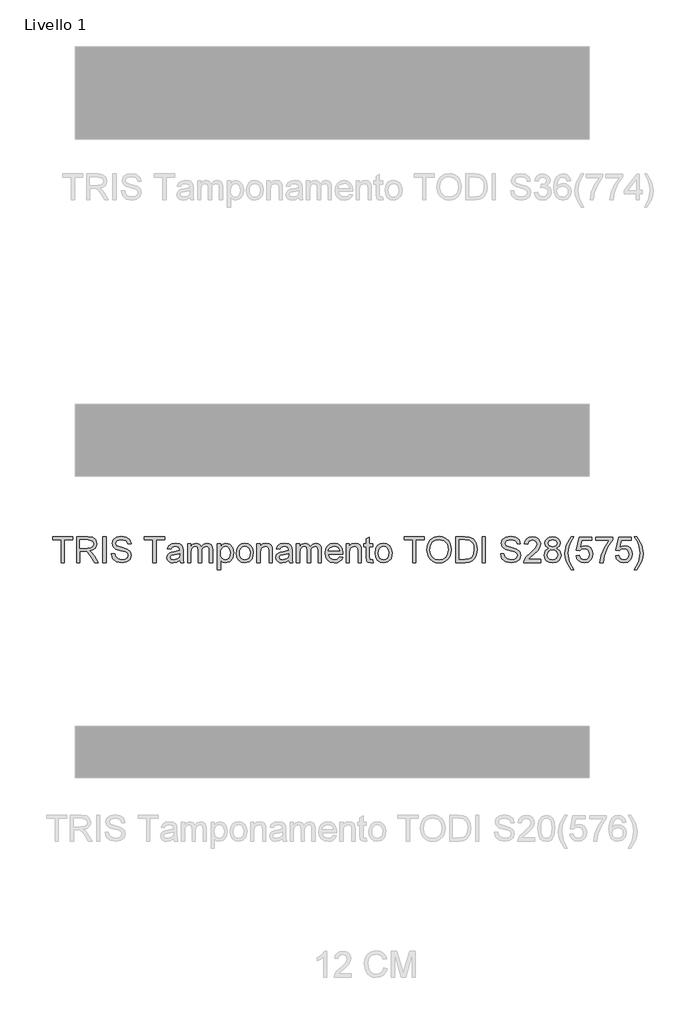
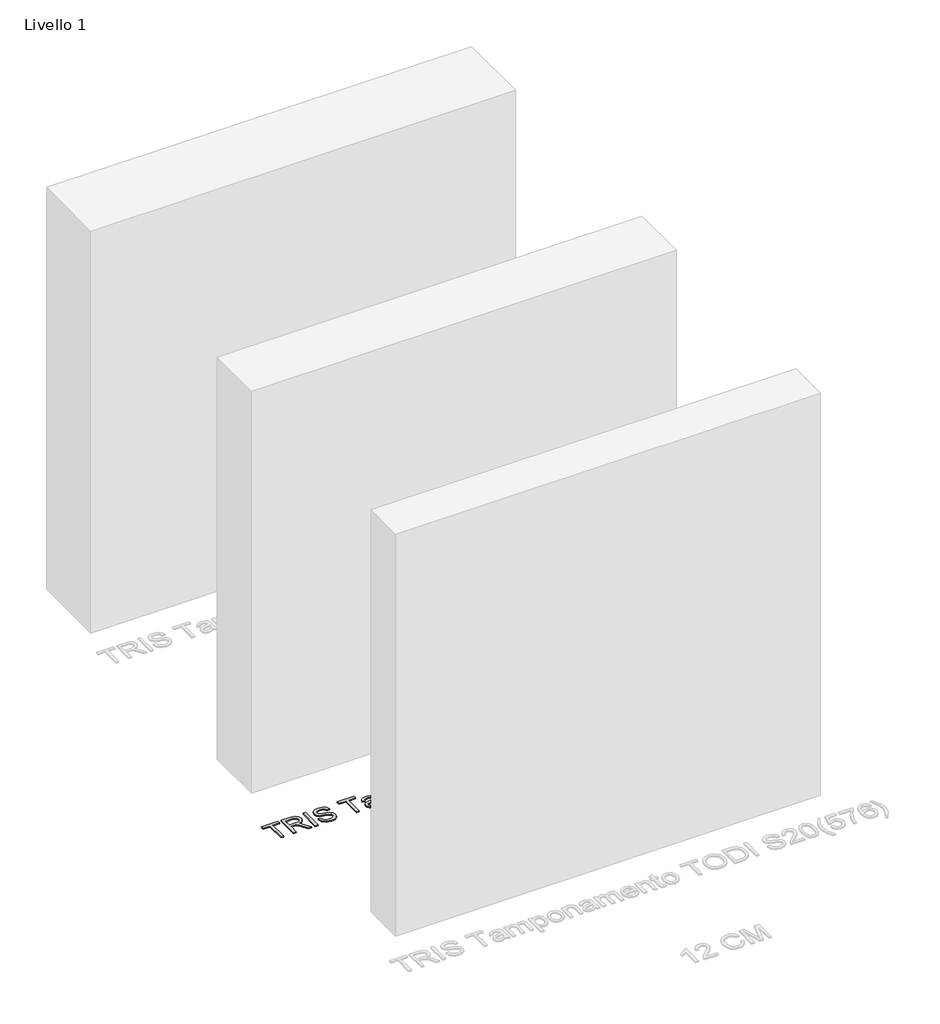
# One storey, part 10 of 18: 1 proxy.
"""IFC4 building model written with IfcOpenShell, lengths in millimetres."""

from ifc_helpers import new_model, si_unit, origin, origin_with_axes, place, context, project, spatial, polyline, outline, extrude, element, save

model = new_model("IFC4")

# Units and contexts
model_context = context("Model", 3, world=origin())
ifc_project = project(units=[si_unit("LENGTHUNIT", "METRE", prefix="MILLI")], contexts=[model_context])

# Site, building, storey
site = spatial("IfcSite", under=ifc_project)
building = spatial("IfcBuilding", under=site)
storey = spatial("IfcBuildingStorey", under=building, Name="Livello 1", Elevation=0.0)

# Proxy
placement = place(None, origin())
element("IfcBuildingElementProxy", 1, Name="100", ObjectType="100", at=placement, inside=storey, context=model_context, shape_type="SweptSolid", body=[
    extrude(outline(polyline([(3324.8413767, -3224.4113231), (3324.8413767, -3136.5120517), (3291.8791499, -3136.5120517), (3291.8791499, -3123.9550129), (3370.3606422, -3123.9550129), (3370.3606422, -3136.5120517), (3337.3984154, -3136.5120517), (3337.3984154, -3224.4113231), (3324.8413767, -3224.4113231)])), origin_with_axes(), (0.0, 0.0, 1.0), 5.0),
    extrude(outline(polyline([(3384.4873108, -3224.4113231), (3384.4873108, -3123.9550129), (3427.7747589, -3123.9550129), (3447.8733786, -3126.6650769), (3458.8607875, -3136.2545343), (3462.9688031, -3151.4480607), (3461.2673489, -3161.3440864), (3456.1629862, -3169.5478548), (3447.5024309, -3175.5627255), (3435.1323988, -3178.8920575), (3442.2693095, -3184.2631347), (3452.4473781, -3197.1880554), (3469.1982716, -3224.4113231), (3454.6056191, -3224.4113231), (3441.5335455, -3203.5892021), (3432.091241, -3189.80589), (3425.4571024, -3183.2943787), (3419.4851513, -3180.9031458), (3412.2010878, -3180.4616874), (3397.0443496, -3180.4616874), (3397.0443496, -3224.4113231), (3384.4873108, -3224.4113231)]), holes=[polyline([(3397.0443496, -3167.9046486), (3425.150534, -3167.9046486), (3439.4856691, -3166.1265523), (3447.6281239, -3160.4366441), (3450.4117644, -3151.9140445), (3445.1020009, -3140.8530592), (3428.3143192, -3136.5120517), (3397.0443496, -3136.5120517), (3397.0443496, -3167.9046486)])]), origin_with_axes(), (0.0, 0.0, 1.0), 5.0),
    extrude(outline(polyline([(3486.5132508, -3224.4113231), (3486.5132508, -3123.9550129), (3499.0702896, -3123.9550129), (3499.0702896, -3224.4113231), (3486.5132508, -3224.4113231)])), origin_with_axes(), (0.0, 0.0, 1.0), 5.0),
    extrude(outline(polyline([(3519.4754776, -3189.8794664), (3532.0325164, -3189.8794664), (3536.0792183, -3202.4487679), (3545.9629812, -3210.395019), (3561.0216176, -3213.4239141), (3574.1427421, -3211.130783), (3582.6162907, -3204.8277382), (3585.3999311, -3196.4032405), (3583.3152665, -3188.567354), (3574.7804042, -3182.8651831), (3556.496669, -3178.0704544), (3536.8149823, -3171.8777741), (3526.1341417, -3162.5335715), (3522.6147373, -3150.0501091), (3526.9680076, -3135.8376014), (3539.6844619, -3125.8066856), (3558.2992908, -3122.3853831), (3578.1649186, -3125.9661011), (3591.4086704, -3136.4875262), (3596.38734, -3152.2083501), (3583.8303013, -3152.2083501), (3581.5249074, -3144.7158202), (3576.717916, -3139.3079548), (3558.7898001, -3134.9424218), (3540.8126333, -3139.2589039), (3535.171776, -3149.6822271), (3539.1694271, -3158.3887677), (3559.6727169, -3165.403051), (3581.8927894, -3171.7060959), (3594.045158, -3181.8841644), (3597.9569699, -3196.0844094), (3593.4565468, -3211.1062576), (3580.5071006, -3222.069141), (3561.5121269, -3225.9809529), (3539.0835879, -3221.7625727), (3524.8956056, -3209.0583811), (3519.4754776, -3189.8794664)])), origin_with_axes(), (0.0, 0.0, 1.0), 5.0),
    extrude(outline(polyline([(3681.1473517, -3224.4113231), (3681.1473517, -3136.5120517), (3648.185125, -3136.5120517), (3648.185125, -3123.9550129), (3726.6666173, -3123.9550129), (3726.6666173, -3136.5120517), (3693.7043905, -3136.5120517), (3693.7043905, -3224.4113231), (3681.1473517, -3224.4113231)])), origin_with_axes(), (0.0, 0.0, 1.0), 5.0),
    extrude(outline(polyline([(3786.3125514, -3214.993544), (3774.1356574, -3223.5038808), (3760.6834391, -3225.9809529), (3750.1896052, -3224.4910308), (3742.4487549, -3220.0212646), (3737.675486, -3213.2338418), (3736.0843963, -3204.79095), (3738.487892, -3194.8581361), (3744.8031996, -3187.647649), (3753.5955793, -3183.5273707), (3764.4603609, -3181.6389098), (3786.238975, -3177.3224277), (3786.3125514, -3174.5265245), (3782.8544607, -3165.2558982), (3768.9730467, -3161.6261292), (3756.2688551, -3164.0418876), (3750.211065, -3172.6135381), (3737.6540262, -3171.0439083), (3743.086417, -3158.7811751), (3754.024775, -3151.5952135), (3770.5917275, -3149.0690904), (3785.8097794, -3151.3009079), (3794.4059553, -3156.9049769), (3798.2564535, -3165.4275765), (3798.8695902, -3176.4149854), (3798.8695902, -3192.0377075), (3799.5072523, -3213.8531098), (3802.0088499, -3224.4113231), (3789.4518111, -3224.4113231), (3786.3125514, -3214.993544)]), holes=[polyline([(3786.3125514, -3189.8794664), (3766.0545162, -3193.7299647), (3755.2510483, -3195.7655784), (3750.3582178, -3199.0765163), (3748.6414351, -3203.9080332), (3752.3815687, -3210.7015874), (3763.3567149, -3213.4239141), (3776.0609065, -3210.4195445), (3784.2524122, -3203.1477437), (3786.238975, -3193.4356591), (3786.3125514, -3189.8794664)])]), origin_with_axes(), (0.0, 0.0, 1.0), 5.0),
    extrude(outline(polyline([(3816.1355185, -3224.4113231), (3816.1355185, -3150.6387203), (3828.6925573, -3150.6387203), (3828.6925573, -3162.7788261), (3837.3255214, -3152.8337495), (3849.6127801, -3149.0690904), (3862.1943443, -3152.9073259), (3869.1105258, -3163.6617429), (3878.9084496, -3152.7172536), (3891.2815474, -3149.0690904), (3900.7207862, -3150.5866037), (3907.7013471, -3155.1391434), (3912.0147635, -3162.8493368), (3913.452569, -3173.8398115), (3913.452569, -3224.4113231), (3900.8955302, -3224.4113231), (3900.8955302, -3179.235414), (3899.7305705, -3168.7507772), (3895.5121903, -3163.5881665), (3888.3384914, -3161.6261292), (3875.9899191, -3166.6538498), (3872.3019021, -3173.196018), (3871.0725631, -3182.7670812), (3871.0725631, -3224.4113231), (3858.5155243, -3224.4113231), (3858.5155243, -3177.8374625), (3855.6092566, -3165.6728312), (3846.0811129, -3161.6261292), (3836.7859612, -3164.3239305), (3830.6055436, -3172.2211307), (3828.6925573, -3187.2061906), (3828.6925573, -3224.4113231), (3816.1355185, -3224.4113231)])), origin_with_axes(), (0.0, 0.0, 1.0), 5.0),
    extrude(outline(polyline([(3932.2881271, -3252.6646603), (3932.2881271, -3150.6387203), (3944.8451659, -3150.6387203), (3944.8451659, -3162.9505044), (3953.527181, -3152.5394439), (3965.2503539, -3149.0690904), (3981.1673815, -3153.9251328), (3991.5661793, -3167.610343), (3995.073321, -3186.9609359), (3991.1124581, -3207.3048103), (3979.6100144, -3221.1616988), (3963.729775, -3225.9809529), (3952.8036797, -3222.7558541), (3944.8451659, -3214.6011365), (3944.8451659, -3252.6646603), (3932.2881271, -3252.6646603)]), holes=[polyline([(3944.8451659, -3188.1136329), (3946.2032636, -3199.3708219), (3950.2775567, -3207.2434966), (3956.2893616, -3211.8788098), (3963.4599948, -3213.4239141), (3970.747124, -3211.8236275), (3976.9122131, -3207.0227674), (3981.1152649, -3198.8619185), (3982.5162822, -3187.1816651), (3981.1489874, -3175.9857898), (3977.0471032, -3168.0027505), (3971.0444953, -3163.2202845), (3963.9750296, -3161.6261292), (3956.8779728, -3163.3214521), (3950.6454387, -3168.4074207), (3946.2952341, -3176.7246194), (3944.8451659, -3188.1136329)])]), origin_with_axes(), (0.0, 0.0, 1.0), 5.0),
    extrude(outline(polyline([(4006.0607299, -3187.5250217), (4008.7769253, -3169.7379272), (4016.9255115, -3157.2360707), (4026.9932154, -3151.1108355), (4039.0474821, -3149.0690904), (4052.2391173, -3151.5553596), (4062.7758708, -3159.014167), (4069.6828553, -3170.8569016), (4071.9851834, -3186.4949521), (4067.913956, -3208.8376519), (4056.055893, -3221.4805298), (4039.0474821, -3225.9809529), (4025.6964314, -3223.5038808), (4015.1719406, -3216.0726645), (4008.3385326, -3203.9816096), (4006.0607299, -3187.5250217)]), holes=[polyline([(4018.6177686, -3187.5004962), (4020.0709025, -3198.8649842), (4024.4303042, -3206.9614538), (4030.9908664, -3211.808299), (4039.0474821, -3213.4239141), (4047.0673096, -3211.799102), (4053.6156091, -3206.9246656), (4057.9750108, -3198.7208971), (4059.4281446, -3187.1080887), (4057.9658137, -3176.0746946), (4053.5788209, -3168.0885896), (4047.0213244, -3163.2417443), (4039.0474821, -3161.6261292), (4030.9908664, -3163.2356129), (4024.4303042, -3168.0640641), (4020.0709025, -3176.1421396), (4018.6177686, -3187.5004962)])]), origin_with_axes(), (0.0, 0.0, 1.0), 5.0),
    extrude(outline(polyline([(4086.111852, -3224.4113231), (4086.111852, -3150.6387203), (4098.6688908, -3150.6387203), (4098.6688908, -3160.9394162), (4108.2706109, -3152.0366719), (4121.3794726, -3149.0690904), (4133.2375356, -3151.4603234), (4141.3309395, -3157.7388428), (4145.0955986, -3166.9726809), (4145.7577862, -3179.1127867), (4145.7577862, -3224.4113231), (4133.2007474, -3224.4113231), (4133.2007474, -3180.8050439), (4131.7537449, -3169.6950076), (4126.6401852, -3163.8211585), (4118.0194837, -3161.6261292), (4104.3955872, -3166.5557479), (4100.1005649, -3173.69879), (4098.6688908, -3185.2686788), (4098.6688908, -3224.4113231), (4086.111852, -3224.4113231)])), origin_with_axes(), (0.0, 0.0, 1.0), 5.0),
    extrude(outline(polyline([(4210.1126099, -3214.993544), (4197.9357158, -3223.5038808), (4184.4834975, -3225.9809529), (4173.9896636, -3224.4910308), (4166.2488133, -3220.0212646), (4161.4755444, -3213.2338418), (4159.8844548, -3204.79095), (4162.2879505, -3194.8581361), (4168.6032581, -3187.647649), (4177.3956378, -3183.5273707), (4188.2604194, -3181.6389098), (4210.0390335, -3177.3224277), (4210.1126099, -3174.5265245), (4206.6545191, -3165.2558982), (4192.7731052, -3161.6261292), (4180.0689136, -3164.0418876), (4174.0111234, -3172.6135381), (4161.4540846, -3171.0439083), (4166.8864754, -3158.7811751), (4177.8248334, -3151.5952135), (4194.3917859, -3149.0690904), (4209.6098378, -3151.3009079), (4218.2060138, -3156.9049769), (4222.056512, -3165.4275765), (4222.6696486, -3176.4149854), (4222.6696486, -3192.0377075), (4223.3073108, -3213.8531098), (4225.8089083, -3224.4113231), (4213.2518696, -3224.4113231), (4210.1126099, -3214.993544)]), holes=[polyline([(4210.1126099, -3189.8794664), (4189.8545747, -3193.7299647), (4179.0511067, -3195.7655784), (4174.1582762, -3199.0765163), (4172.4414936, -3203.9080332), (4176.1816272, -3210.7015874), (4187.1567734, -3213.4239141), (4199.8609649, -3210.4195445), (4208.0524707, -3203.1477437), (4210.0390335, -3193.4356591), (4210.1126099, -3189.8794664)])]), origin_with_axes(), (0.0, 0.0, 1.0), 5.0),
    extrude(outline(polyline([(4239.9355769, -3224.4113231), (4239.9355769, -3150.6387203), (4252.4926157, -3150.6387203), (4252.4926157, -3162.7788261), (4261.1255799, -3152.8337495), (4273.4128385, -3149.0690904), (4285.9944027, -3152.9073259), (4292.9105842, -3163.6617429), (4302.7085081, -3152.7172536), (4315.0816058, -3149.0690904), (4324.5208447, -3150.5866037), (4331.5014055, -3155.1391434), (4335.8148219, -3162.8493368), (4337.2526274, -3173.8398115), (4337.2526274, -3224.4113231), (4324.6955886, -3224.4113231), (4324.6955886, -3179.235414), (4323.530629, -3168.7507772), (4319.3122488, -3163.5881665), (4312.1385499, -3161.6261292), (4299.7899776, -3166.6538498), (4296.1019606, -3173.196018), (4294.8726216, -3182.7670812), (4294.8726216, -3224.4113231), (4282.3155828, -3224.4113231), (4282.3155828, -3177.8374625), (4279.409315, -3165.6728312), (4269.8811713, -3161.6261292), (4260.5860196, -3164.3239305), (4254.4056021, -3172.2211307), (4252.4926157, -3187.2061906), (4252.4926157, -3224.4113231), (4239.9355769, -3224.4113231)])), origin_with_axes(), (0.0, 0.0, 1.0), 5.0),
    extrude(outline(polyline([(4407.7388177, -3202.4365052), (4420.0506018, -3204.0061351), (4415.6145581, -3213.2828927), (4408.5358953, -3220.2174683), (4398.9740291, -3224.5400818), (4387.088375, -3225.9809529), (4372.3547011, -3223.4946838), (4361.0178043, -3216.0358763), (4353.7889231, -3204.0889085), (4351.379296, -3188.1381583), (4353.8134485, -3171.6509136), (4361.1159062, -3159.3207354), (4372.2995188, -3151.6320017), (4386.3771365, -3149.0690904), (4400.0163615, -3151.6258703), (4410.9148656, -3159.2962099), (4418.0609733, -3171.6018626), (4420.4430092, -3188.0645819), (4420.3694328, -3191.4490963), (4363.9363348, -3191.4490963), (4366.1099042, -3200.8484813), (4371.1590846, -3207.7585314), (4378.4462138, -3212.0075685), (4387.3336297, -3213.4239141), (4399.6454138, -3210.7996892), (4407.7388177, -3202.4365052)]), holes=[polyline([(4363.9363348, -3178.8920575), (4407.8859705, -3178.8920575), (4402.8582499, -3167.5122411), (4395.5373982, -3163.0976572), (4386.3280856, -3161.6261292), (4370.864779, -3166.322756), (4365.9995396, -3171.8133948), (4363.9363348, -3178.8920575)])]), origin_with_axes(), (0.0, 0.0, 1.0), 5.0),
    extrude(outline(polyline([(4433.000048, -3224.4113231), (4433.000048, -3150.6387203), (4445.5570868, -3150.6387203), (4445.5570868, -3160.9394162), (4455.1588069, -3152.0366719), (4468.2676686, -3149.0690904), (4480.1257316, -3151.4603234), (4488.2191355, -3157.7388428), (4491.9837946, -3166.9726809), (4492.6459822, -3179.1127867), (4492.6459822, -3224.4113231), (4480.0889434, -3224.4113231), (4480.0889434, -3180.8050439), (4478.6419409, -3169.6950076), (4473.5283811, -3163.8211585), (4464.9076797, -3161.6261292), (4451.2837832, -3166.5557479), (4446.9887609, -3173.69879), (4445.5570868, -3185.2686788), (4445.5570868, -3224.4113231), (4433.000048, -3224.4113231)])), origin_with_axes(), (0.0, 0.0, 1.0), 5.0),
    extrude(outline(polyline([(4536.5956179, -3213.9389489), (4538.1652477, -3224.7792051), (4528.7719941, -3225.9809529), (4518.250569, -3223.8962883), (4513.0021192, -3218.4271093), (4511.4815403, -3204.1778133), (4511.4815403, -3163.1957591), (4502.0637612, -3163.1957591), (4502.0637612, -3150.6387203), (4511.4815403, -3150.6387203), (4511.4815403, -3132.7106044), (4524.0385791, -3125.328439), (4524.0385791, -3150.6387203), (4536.5956179, -3150.6387203), (4536.5956179, -3163.1957591), (4524.0385791, -3163.1957591), (4524.0385791, -3203.8099313), (4524.7007667, -3210.2846544), (4526.846745, -3212.5777855), (4531.1264389, -3213.4239141), (4536.5956179, -3213.9389489)])), origin_with_axes(), (0.0, 0.0, 1.0), 5.0),
    extrude(outline(polyline([(4546.0133969, -3187.5250217), (4548.7295923, -3169.7379272), (4556.8781785, -3157.2360707), (4566.9458825, -3151.1108355), (4579.0001492, -3149.0690904), (4592.1917844, -3151.5553596), (4602.7285379, -3159.014167), (4609.6355223, -3170.8569016), (4611.9378505, -3186.4949521), (4607.8666231, -3208.8376519), (4596.0085601, -3221.4805298), (4579.0001492, -3225.9809529), (4565.6490984, -3223.5038808), (4555.1246077, -3216.0726645), (4548.2911996, -3203.9816096), (4546.0133969, -3187.5250217)]), holes=[polyline([(4558.5704357, -3187.5004962), (4560.0235696, -3198.8649842), (4564.3829712, -3206.9614538), (4570.9435335, -3211.808299), (4579.0001492, -3213.4239141), (4587.0199767, -3211.799102), (4593.5682762, -3206.9246656), (4597.9276778, -3198.7208971), (4599.3808117, -3187.1080887), (4597.9184808, -3176.0746946), (4593.531488, -3168.0885896), (4586.9739914, -3163.2417443), (4579.0001492, -3161.6261292), (4570.9435335, -3163.2356129), (4564.3829712, -3168.0640641), (4560.0235696, -3176.1421396), (4558.5704357, -3187.5004962)])]), origin_with_axes(), (0.0, 0.0, 1.0), 5.0),
    extrude(outline(polyline([(4691.9889726, -3224.4113231), (4691.9889726, -3136.5120517), (4659.0267458, -3136.5120517), (4659.0267458, -3123.9550129), (4737.5082382, -3123.9550129), (4737.5082382, -3136.5120517), (4704.5460114, -3136.5120517), (4704.5460114, -3224.4113231), (4691.9889726, -3224.4113231)])), origin_with_axes(), (0.0, 0.0, 1.0), 5.0),
    extrude(outline(polyline([(4746.9260172, -3175.5075432), (4750.2737434, -3153.293602), (4760.3169219, -3136.4875262), (4775.6514697, -3125.9109188), (4794.8733039, -3122.3853831), (4808.0496107, -3124.040852), (4819.8647541, -3129.007259), (4829.6749407, -3136.935116), (4836.8363768, -3147.4749351), (4841.2141726, -3160.117813), (4842.6734378, -3174.3548462), (4841.1375305, -3188.7819518), (4836.5298085, -3201.6026394), (4829.1047236, -3212.1608526), (4819.1167274, -3219.8005354), (4807.4027516, -3224.4358485), (4794.7997275, -3225.9809529), (4781.4210856, -3224.2733673), (4769.5384972, -3219.1506105), (4759.7528361, -3211.0756007), (4752.6649764, -3200.5112561), (4746.9260172, -3175.5075432)]), holes=[polyline([(4759.483056, -3175.6301705), (4761.9938506, -3191.3448631), (4769.5262345, -3203.319422), (4780.8478029, -3210.8977911), (4794.7261511, -3213.4239141), (4808.8068345, -3210.8732656), (4820.146797, -3203.2213201), (4827.6239986, -3190.8788792), (4830.1163991, -3174.2567444), (4825.8489679, -3153.5327253), (4813.3777683, -3139.8107269), (4794.9468803, -3134.9424218), (4781.4394797, -3137.2876695), (4769.9554301, -3144.3234127), (4762.1011495, -3156.8405976), (4759.483056, -3175.6301705)])]), origin_with_axes(), (0.0, 0.0, 1.0), 5.0),
    extrude(outline(polyline([(4859.9393661, -3224.4113231), (4859.9393661, -3123.9550129), (4894.5938501, -3123.9550129), (4912.521966, -3125.4020154), (4927.2862967, -3132.5879771), (4939.1811479, -3149.7558035), (4943.129748, -3173.6436077), (4940.4564722, -3193.9139057), (4933.5893416, -3208.5433463), (4924.4168172, -3217.6545571), (4912.4116014, -3222.6945404), (4896.2615818, -3224.4113231), (4859.9393661, -3224.4113231)]), holes=[polyline([(4872.4964049, -3211.8542843), (4894.7164774, -3211.8542843), (4910.8787597, -3210.0393998), (4920.198437, -3204.9135773), (4927.8381197, -3192.4423777), (4930.5727092, -3173.447404), (4929.2330056, -3159.7621938), (4925.2138948, -3149.6577016), (4912.1786095, -3138.5231399), (4894.3731209, -3136.5120517), (4872.4964049, -3136.5120517), (4872.4964049, -3211.8542843)])]), origin_with_axes(), (0.0, 0.0, 1.0), 5.0),
    extrude(outline(polyline([(4961.9653061, -3224.4113231), (4961.9653061, -3123.9550129), (4974.5223449, -3123.9550129), (4974.5223449, -3224.4113231), (4961.9653061, -3224.4113231)])), origin_with_axes(), (0.0, 0.0, 1.0), 5.0),
    extrude(outline(polyline([(5034.1682791, -3189.8794664), (5046.7253178, -3189.8794664), (5050.7720198, -3202.4487679), (5060.6557827, -3210.395019), (5075.7144191, -3213.4239141), (5088.8355435, -3211.130783), (5097.3090922, -3204.8277382), (5100.0927326, -3196.4032405), (5098.008068, -3188.567354), (5089.4732057, -3182.8651831), (5071.1894705, -3178.0704544), (5051.5077838, -3171.8777741), (5040.8269432, -3162.5335715), (5037.3075388, -3150.0501091), (5041.660809, -3135.8376014), (5054.3772633, -3125.8066856), (5072.9920923, -3122.3853831), (5092.85772, -3125.9661011), (5106.1014719, -3136.4875262), (5111.0801415, -3152.2083501), (5098.5231028, -3152.2083501), (5096.2177089, -3144.7158202), (5091.4107175, -3139.3079548), (5073.4826016, -3134.9424218), (5055.5054348, -3139.2589039), (5049.8645775, -3149.6822271), (5053.8622285, -3158.3887677), (5074.3655184, -3165.403051), (5096.5855909, -3171.7060959), (5108.7379595, -3181.8841644), (5112.6497714, -3196.0844094), (5108.1493483, -3211.1062576), (5095.1999021, -3222.069141), (5076.2049284, -3225.9809529), (5053.7763894, -3221.7625727), (5039.5884071, -3209.0583811), (5034.1682791, -3189.8794664)])), origin_with_axes(), (0.0, 0.0, 1.0), 5.0),
    extrude(outline(polyline([(5191.1312637, -3211.8542843), (5191.1312637, -3224.4113231), (5125.2068101, -3224.4113231), (5126.5557108, -3215.7538334), (5134.1831308, -3202.4242425), (5149.9039547, -3187.8683782), (5171.584467, -3166.9481554), (5177.0045951, -3152.7233849), (5171.8910353, -3141.2086785), (5158.5369189, -3136.5120517), (5144.6187167, -3141.0983139), (5139.3334787, -3153.77798), (5126.77644, -3152.2083501), (5129.8206635, -3140.0621129), (5136.4026855, -3131.1900255), (5146.1791495, -3125.7637661), (5158.806699, -3123.9550129), (5171.526219, -3125.9661011), (5181.2842889, -3131.9993659), (5187.4922976, -3141.0124748), (5189.5616338, -3151.9630955), (5187.3298164, -3163.8702094), (5179.9108628, -3176.1819935), (5161.9214333, -3193.3866081), (5147.4759336, -3205.4654003), (5141.8105509, -3211.8542843), (5191.1312637, -3211.8542843)])), origin_with_axes(), (0.0, 0.0, 1.0), 5.0),
    extrude(outline(polyline([(5221.9843003, -3169.081871), (5210.5431703, -3161.2827727), (5206.8275621, -3149.1426668), (5208.8509131, -3139.3263489), (5214.920966, -3131.2145509), (5224.3571392, -3125.7698974), (5236.4788509, -3123.9550129), (5248.6741391, -3125.812817), (5258.2329396, -3131.3862292), (5264.4133571, -3139.6267859), (5266.4734963, -3149.4860234), (5262.8069391, -3161.3195609), (5251.6846401, -3169.081871), (5265.0387565, -3178.9288457), (5269.612756, -3195.1769672), (5267.3441503, -3207.1821829), (5260.5383334, -3217.1027341), (5250.0291711, -3223.7613982), (5236.6505292, -3225.9809529), (5223.2718873, -3223.7522011), (5212.762725, -3217.0659459), (5205.9569081, -3207.0503586), (5203.6883024, -3194.8336106), (5208.4462429, -3178.2053445), (5221.9843003, -3169.081871)]), holes=[polyline([(5219.3846009, -3149.5105488), (5223.835973, -3159.3697863), (5236.797682, -3163.1957591), (5249.5018736, -3159.3943118), (5253.9164575, -3150.0746346), (5249.3547208, -3140.4238636), (5236.6505292, -3136.5120517), (5223.9095494, -3140.3380244), (5219.3846009, -3149.5105488)]), polyline([(5216.2453412, -3194.3921523), (5218.3422686, -3203.8467195), (5225.7612221, -3210.9223166), (5236.7486311, -3213.4239141), (5245.2957561, -3212.108736), (5251.7091655, -3208.1632016), (5257.0557172, -3194.7845597), (5251.5374873, -3181.1484004), (5244.976925, -3177.1016985), (5236.3316981, -3175.7527978), (5227.9041348, -3177.0833044), (5221.5551047, -3181.074824), (5216.2453412, -3194.3921523)])]), origin_with_axes(), (0.0, 0.0, 1.0), 5.0),
    extrude(outline(polyline([(5308.8535021, -3252.6646603), (5291.0234881, -3223.2095752), (5285.5604405, -3206.029486), (5283.7394246, -3188.2362602), (5289.1840781, -3157.7020546), (5308.8535021, -3123.9550129), (5318.2712812, -3123.9550129), (5306.5235828, -3143.8451661), (5299.4602485, -3163.1221827), (5296.2964634, -3188.3098366), (5301.7901678, -3220.4995112), (5318.2712812, -3252.6646603), (5308.8535021, -3252.6646603)])), origin_with_axes(), (0.0, 0.0, 1.0), 5.0),
    extrude(outline(polyline([(5327.6890603, -3197.7276157), (5340.246099, -3196.1579858), (5346.5736694, -3209.0951693), (5359.6947939, -3213.4239141), (5368.69564, -3211.9186636), (5375.4401433, -3207.4029121), (5379.6523921, -3200.3978258), (5381.056475, -3191.4245708), (5375.7957625, -3176.5130873), (5369.189215, -3172.411203), (5359.8909976, -3171.0439083), (5348.8668005, -3173.2266748), (5341.8157289, -3178.8920575), (5329.2586901, -3177.3224277), (5340.246099, -3125.5246428), (5388.9046243, -3125.5246428), (5388.9046243, -3138.0816815), (5350.3996421, -3138.0816815), (5345.028565, -3165.7464076), (5353.9987543, -3160.301754), (5363.3981393, -3158.4868695), (5375.1305092, -3160.7370811), (5384.8701851, -3167.4877157), (5391.4276816, -3177.7761488), (5393.6135138, -3190.6397559), (5391.6453451, -3203.1967947), (5385.7408391, -3213.9389489), (5374.4345991, -3222.9704519), (5359.6457429, -3225.9809529), (5347.312499, -3224.0465067), (5337.4869841, -3218.2431683), (5330.7516779, -3209.2453878), (5327.6890603, -3197.7276157)])), origin_with_axes(), (0.0, 0.0, 1.0), 5.0),
    extrude(outline(polyline([(5404.6009227, -3138.0816815), (5404.6009227, -3125.5246428), (5470.5253763, -3125.5246428), (5470.5253763, -3135.6781858), (5451.8247082, -3162.692987), (5437.5140986, -3197.114479), (5432.85426, -3224.4113231), (5420.2972212, -3224.4113231), (5425.2881536, -3196.0844094), (5438.9856266, -3164.0664131), (5457.9683375, -3138.0816815), (5404.6009227, -3138.0816815)])), origin_with_axes(), (0.0, 0.0, 1.0), 5.0),
    extrude(outline(polyline([(5481.5127852, -3197.7276157), (5494.069824, -3196.1579858), (5500.3973943, -3209.0951693), (5513.5185188, -3213.4239141), (5522.5193649, -3211.9186636), (5529.2638682, -3207.4029121), (5533.476117, -3200.3978258), (5534.8802, -3191.4245708), (5529.6194874, -3176.5130873), (5523.0129399, -3172.411203), (5513.7147225, -3171.0439083), (5502.6905254, -3173.2266748), (5495.6394538, -3178.8920575), (5483.082415, -3177.3224277), (5494.069824, -3125.5246428), (5542.7283492, -3125.5246428), (5542.7283492, -3138.0816815), (5504.223367, -3138.0816815), (5498.8522899, -3165.7464076), (5507.8224792, -3160.301754), (5517.2218642, -3158.4868695), (5528.9542342, -3160.7370811), (5538.69391, -3167.4877157), (5545.2514065, -3177.7761488), (5547.4372387, -3190.6397559), (5545.4690701, -3203.1967947), (5539.564564, -3213.9389489), (5528.2583241, -3222.9704519), (5513.4694678, -3225.9809529), (5501.136224, -3224.0465067), (5491.310709, -3218.2431683), (5484.5754028, -3209.2453878), (5481.5127852, -3197.7276157)])), origin_with_axes(), (0.0, 0.0, 1.0), 5.0),
    extrude(outline(polyline([(5564.703167, -3252.6646603), (5555.285388, -3252.6646603), (5571.7665013, -3220.4995112), (5577.2602058, -3188.3098366), (5574.0964206, -3163.3429119), (5567.1066627, -3144.0413698), (5555.285388, -3123.9550129), (5564.703167, -3123.9550129), (5584.372591, -3157.7020546), (5589.8172446, -3188.2362602), (5587.9870317, -3206.029486), (5582.4963929, -3223.2095752), (5564.703167, -3252.6646603)])), origin_with_axes(), (0.0, 0.0, 1.0), 5.0),
])

save(model, "model.ifc")
